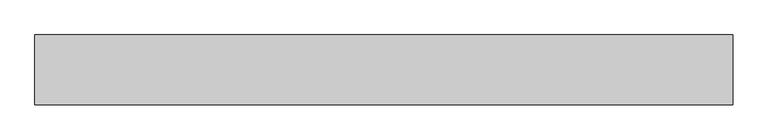
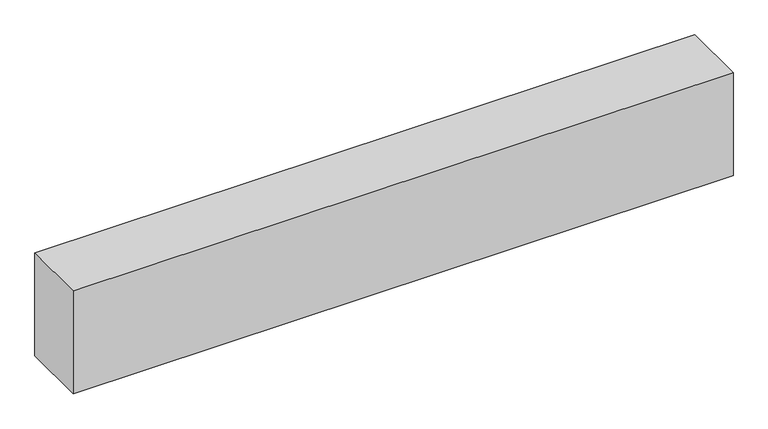
"""IFC4 building model written with IfcOpenShell, lengths in millimetres: proxy geometry."""

from ifc_helpers import new_model, si_unit, origin, origin_with_axes, place, context, project, spatial, polyline, outline, extrude, source, transform, mapped, element, save


def generic_models_01578dd5(model_context):
    return source(origin(), model_context, "Body", "SweptSolid", [
        extrude(outline(polyline([(4000.0, -400.0), (0.0, -400.0), (0.0, 0.0), (4000.0, 0.0), (4000.0, -400.0)])), origin_with_axes(), (0.0, 0.0, 1.0), 658.6076514),
    ])


if __name__ == "__main__":
    model = new_model("IFC4")
    model_context = context("Model", 3, world=origin())
    ifc_project = project(units=[si_unit("LENGTHUNIT", "METRE", prefix="MILLI")], contexts=[model_context])
    site = spatial("IfcSite", under=ifc_project)
    building = spatial("IfcBuilding", under=site)
    placement = place(None, origin())
    generic_models_shape = generic_models_01578dd5(model_context)
    element("IfcBuildingElementProxy", 1, Name="Generic Models", at=placement, inside=building, context=model_context, shape_type="MappedRepresentation", body=[
        mapped(generic_models_shape, transform((0.0, 0.0, 0.0), x_axis=(1.0, 0.0, 0.0), y_axis=(0.0, 1.0, 0.0), z_axis=(0.0, 0.0, 1.0))),
    ])
    save(model, "model.ifc")
